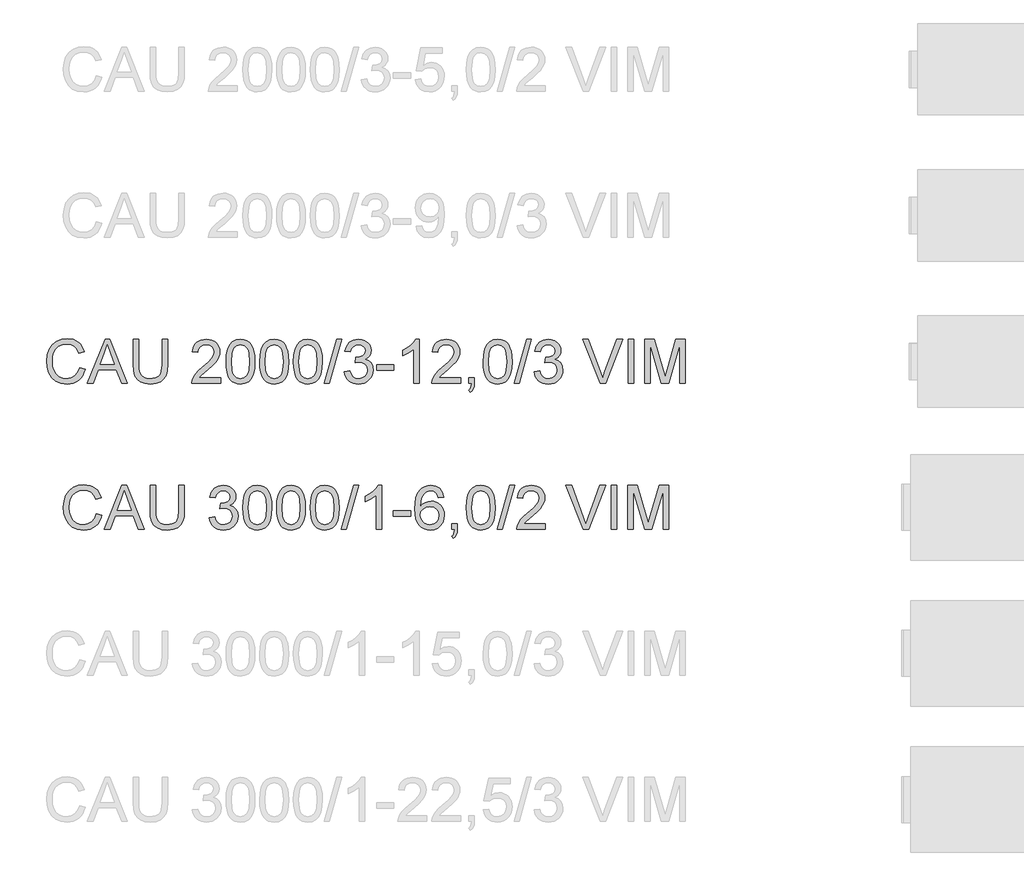
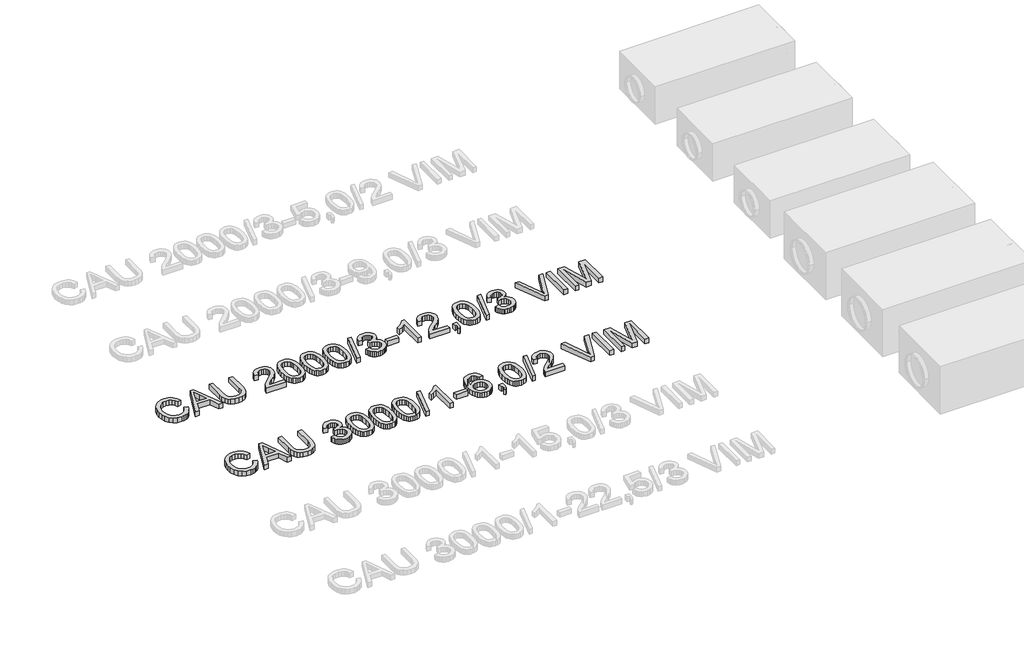
# One storey, part 57 of 74: 2 proxies.
"""IFC4 building model written with IfcOpenShell, lengths in millimetres."""

from ifc_helpers import new_model, si_unit, origin, origin_with_axes, place, context, project, spatial, polyline, outline, extrude, element, save

model = new_model("IFC4")

# Units and contexts
model_context = context("Model", 3, world=origin())
ifc_project = project(units=[si_unit("LENGTHUNIT", "METRE", prefix="MILLI")], contexts=[model_context])

# Site, building, storey
site = spatial("IfcSite", under=ifc_project)
building = spatial("IfcBuilding", under=site)
storey = spatial("IfcBuildingStorey", under=building, Elevation=0.0)

# Proxies
placement = place(None, origin())
element("IfcBuildingElementProxy", 1, Name="Generic Models", at=placement, inside=storey, context=model_context, shape_type="SweptSolid", body=[
    extrude(outline(polyline([(34539.6928381, -10799.1632103), (34577.3639544, -10808.875295), (34569.9097455, -10832.3024803), (34559.9815302, -10852.7728141), (34547.5793084, -10870.2862963), (34532.7030802, -10884.842927), (34515.688538, -10896.2863563), (34496.8713739, -10904.4602344), (34476.2515881, -10909.3645613), (34453.8291805, -10910.9993369), (34410.1339965, -10906.051324), (34375.4335273, -10891.2072855), (34348.835659, -10866.9822562), (34329.4482779, -10833.8912707), (34317.6116747, -10794.9877497), (34313.6661403, -10753.3251137), (34318.1267095, -10709.3816094), (34331.5084171, -10671.4345816), (34353.1122872, -10640.6888439), (34382.2393442, -10618.3492097), (34416.7834636, -10604.7467729), (34454.6385209, -10600.2126274), (34495.9424719, -10606.0803452), (34513.9112081, -10613.4149925), (34530.0911181, -10623.6834986), (34544.2154874, -10636.6145508), (34556.0176017, -10651.9368359), (34572.6550649, -10689.755105), (34534.9839486, -10698.7314257), (34521.9241378, -10671.2598377), (34504.081861, -10652.4150825), (34481.2363891, -10641.5165784), (34453.1669929, -10637.8837437), (34420.8117714, -10641.9120515), (34394.2322973, -10653.996975), (34374.0631669, -10672.8693214), (34360.9389767, -10697.2598977), (34353.7376866, -10724.8326532), (34351.3372566, -10753.2515373), (34354.179145, -10788.0531741), (34362.7048103, -10818.1459213), (34377.2361491, -10842.3801477), (34398.0950582, -10859.6062222), (34423.1018368, -10869.897721), (34450.0767841, -10873.3282206), (34481.5214977, -10868.6561192), (34507.7238928, -10854.6398152), (34527.5067471, -10831.4264613), (34539.6928381, -10799.1632103)])), origin_with_axes(), (0.0, 0.0, 1.0), 50.0),
    extrude(outline(polyline([(34594.065797, -10906.2904473), (34714.3632095, -10604.9215169), (34746.4425194, -10604.9215169), (34866.7399319, -10906.2904473), (34826.9351, -10906.2904473), (34792.4277688, -10812.1126566), (34668.3043837, -10812.1126566), (34633.8706289, -10906.2904473), (34594.065797, -10906.2904473)]), holes=[polyline([(34682.1367467, -10774.4415403), (34778.6689822, -10774.4415403), (34751.519291, -10700.3501064), (34730.4028644, -10642.5926332), (34711.6408827, -10693.8753833), (34682.1367467, -10774.4415403)])]), origin_with_axes(), (0.0, 0.0, 1.0), 50.0),
    extrude(outline(polyline([(35104.7595827, -10604.9215169), (35142.430699, -10604.9215169), (35142.430699, -10778.7825478), (35139.8739192, -10819.4978876), (35132.2035796, -10850.8506307), (35117.8745759, -10875.0388719), (35095.3418037, -10894.2607061), (35064.5500807, -10906.8146792), (35025.4442246, -10910.9993369), (34987.1936941, -10907.3573051), (34956.6135033, -10896.4312099), (34933.694455, -10878.5981302), (34918.4273522, -10854.235145), (34909.8465046, -10821.5580268), (34906.9862221, -10778.7825478), (34906.9862221, -10604.9215169), (34944.6573384, -10604.9215169), (34944.6573384, -10777.4581726), (34946.5151425, -10811.3125132), (34952.0885547, -10834.8845521), (34962.1869155, -10851.2093156), (34977.6195652, -10863.3218303), (34997.7427103, -10870.826623), (35021.9125574, -10873.3282206), (35060.2274672, -10868.3802077), (35074.5702665, -10862.1951917), (35085.7032954, -10853.5361692), (35094.0404211, -10841.3592752), (35099.9955109, -10824.6206444), (35104.7595827, -10777.4581726), (35104.7595827, -10604.9215169)])), origin_with_axes(), (0.0, 0.0, 1.0), 50.0),
    extrude(outline(polyline([(35505.0151935, -10868.619331), (35505.0151935, -10906.2904473), (35307.2418329, -10906.2904473), (35311.2885348, -10880.3179785), (35320.5775552, -10860.0200894), (35334.1707949, -10840.3292056), (35353.8340876, -10819.7186168), (35381.3332667, -10796.6616128), (35421.9842272, -10760.553995), (35446.3748035, -10733.9009444), (35458.5700916, -10712.2694831), (35462.6351876, -10691.226633), (35458.8000178, -10672.3634837), (35447.2945084, -10656.6825136), (35429.6085815, -10646.1151033), (35407.2321592, -10642.5926332), (35383.7336967, -10646.0323299), (35365.4775527, -10656.3514198), (35353.6961318, -10672.7405627), (35349.6218387, -10694.3904181), (35311.9507224, -10689.6815286), (35321.0833929, -10653.242817), (35329.6297515, -10638.7068796), (35340.829459, -10626.6265546), (35354.424998, -10617.1306006), (35370.1588511, -10610.3477763), (35408.0414996, -10604.9215169), (35428.2313233, -10606.4298331), (35446.2000595, -10610.9547816), (35461.9477082, -10618.4963625), (35475.4742693, -10629.0545758), (35486.3382844, -10641.8476722), (35494.0982953, -10656.0939024), (35498.7543018, -10671.7932666), (35500.3063039, -10688.9457646), (35498.6324409, -10706.9627853), (35493.6108516, -10724.6671063), (35484.6989103, -10742.67493), (35471.3539909, -10761.6024586), (35450.0812146, -10784.1996102), (35417.3857022, -10813.2163026), (35374.0492032, -10849.4526791), (35357.053055, -10868.619331), (35505.0151935, -10868.619331)])), origin_with_axes(), (0.0, 0.0, 1.0), 50.0),
    extrude(outline(polyline([(35542.6863098, -10758.0340033), (35545.4546218, -10709.7954767), (35553.7595578, -10671.324217), (35567.5183445, -10642.0316132), (35586.6482082, -10621.3290539), (35611.2871048, -10609.0234011), (35641.5729901, -10604.9215169), (35664.786344, -10607.3495381), (35685.5716767, -10614.6336016), (35702.954101, -10626.4885989), (35715.9587295, -10642.6294214), (35725.7811788, -10662.9181134), (35733.6170653, -10687.2167192), (35738.7490191, -10718.0728216), (35740.4596704, -10758.0340033), (35737.7189495, -10805.9966184), (35729.4967869, -10844.3759076), (35715.8207738, -10873.6961026), (35696.7185012, -10894.4814353), (35672.0244222, -10906.8698615), (35641.5729901, -10910.9993369), (35620.8244456, -10909.2059122), (35602.4303458, -10903.825638), (35586.3906908, -10894.8585143), (35572.7054806, -10882.3045413), (35559.5720934, -10859.6108207), (35550.1911025, -10831.3344908), (35544.562508, -10797.4755517), (35542.6863098, -10758.0340033)]), holes=[polyline([(35580.3574261, -10757.9604269), (35584.77201, -10817.2170193), (35590.29024, -10837.4850179), (35598.0157619, -10851.5128183), (35617.7342368, -10867.87437), (35641.5729901, -10873.3282206), (35665.4117434, -10867.8559759), (35685.1302183, -10851.4392419), (35692.8557402, -10837.3884489), (35698.3739702, -10817.1250488), (35702.7885541, -10757.9604269), (35698.5211229, -10700.0374067), (35693.186834, -10679.8360867), (35685.7188295, -10665.4748933), (35666.0371428, -10648.3131982), (35641.1315317, -10642.5926332), (35617.5502958, -10647.6326165), (35598.6043731, -10662.7525665), (35590.6213338, -10678.3875513), (35584.9191628, -10699.4671897), (35580.3574261, -10757.9604269)])]), origin_with_axes(), (0.0, 0.0, 1.0), 50.0),
    extrude(outline(polyline([(35773.4218972, -10758.0340033), (35776.1902092, -10709.7954767), (35784.4951452, -10671.324217), (35798.2539318, -10642.0316132), (35817.3837956, -10621.3290539), (35842.0226922, -10609.0234011), (35872.3085775, -10604.9215169), (35895.5219314, -10607.3495381), (35916.3072641, -10614.6336016), (35933.6896884, -10626.4885989), (35946.6943169, -10642.6294214), (35956.5167662, -10662.9181134), (35964.3526527, -10687.2167192), (35969.4846065, -10718.0728216), (35971.1952578, -10758.0340033), (35968.4545369, -10805.9966184), (35960.2323743, -10844.3759076), (35946.5563611, -10873.6961026), (35927.4540885, -10894.4814353), (35902.7600096, -10906.8698615), (35872.3085775, -10910.9993369), (35851.5600329, -10909.2059122), (35833.1659332, -10903.825638), (35817.1262782, -10894.8585143), (35803.441068, -10882.3045413), (35790.3076807, -10859.6108207), (35780.9266899, -10831.3344908), (35775.2980953, -10797.4755517), (35773.4218972, -10758.0340033)]), holes=[polyline([(35811.0930135, -10757.9604269), (35815.5075974, -10817.2170193), (35821.0258273, -10837.4850179), (35828.7513492, -10851.5128183), (35848.4698242, -10867.87437), (35872.3085775, -10873.3282206), (35896.1473308, -10867.8559759), (35915.8658057, -10851.4392419), (35923.5913276, -10837.3884489), (35929.1095575, -10817.1250488), (35933.5241415, -10757.9604269), (35929.2567103, -10700.0374067), (35923.9224214, -10679.8360867), (35916.4544169, -10665.4748933), (35896.7727302, -10648.3131982), (35871.8671191, -10642.5926332), (35848.2858832, -10647.6326165), (35829.3399604, -10662.7525665), (35821.3569211, -10678.3875513), (35815.6547502, -10699.4671897), (35811.0930135, -10757.9604269)])]), origin_with_axes(), (0.0, 0.0, 1.0), 50.0),
    extrude(outline(polyline([(36004.1574845, -10758.0340033), (36006.9257966, -10709.7954767), (36015.2307326, -10671.324217), (36028.9895192, -10642.0316132), (36048.119383, -10621.3290539), (36072.7582796, -10609.0234011), (36103.0441648, -10604.9215169), (36126.2575187, -10607.3495381), (36147.0428515, -10614.6336016), (36164.4252757, -10626.4885989), (36177.4299043, -10642.6294214), (36187.2523535, -10662.9181134), (36195.08824, -10687.2167192), (36200.2201939, -10718.0728216), (36201.9308451, -10758.0340033), (36199.1901243, -10805.9966184), (36190.9679617, -10844.3759076), (36177.2919485, -10873.6961026), (36158.1896759, -10894.4814353), (36133.495597, -10906.8698615), (36103.0441648, -10910.9993369), (36082.2956203, -10909.2059122), (36063.9015206, -10903.825638), (36047.8618656, -10894.8585143), (36034.1766553, -10882.3045413), (36021.0432681, -10859.6108207), (36011.6622772, -10831.3344908), (36006.0336827, -10797.4755517), (36004.1574845, -10758.0340033)]), holes=[polyline([(36041.8286008, -10757.9604269), (36046.2431848, -10817.2170193), (36051.7614147, -10837.4850179), (36059.4869366, -10851.5128183), (36079.2054116, -10867.87437), (36103.0441648, -10873.3282206), (36126.8829181, -10867.8559759), (36146.6013931, -10851.4392419), (36154.326915, -10837.3884489), (36159.8451449, -10817.1250488), (36164.2597288, -10757.9604269), (36159.9922977, -10700.0374067), (36154.6580088, -10679.8360867), (36147.1900043, -10665.4748933), (36127.5083175, -10648.3131982), (36102.6027065, -10642.5926332), (36079.0214706, -10647.6326165), (36060.0755478, -10662.7525665), (36052.0925085, -10678.3875513), (36046.3903376, -10699.4671897), (36041.8286008, -10757.9604269)])]), origin_with_axes(), (0.0, 0.0, 1.0), 50.0),
    extrude(outline(polyline([(36216.0575138, -10906.2904473), (36300.8175255, -10604.9215169), (36334.8098218, -10604.9215169), (36250.0498101, -10906.2904473), (36216.0575138, -10906.2904473)])), origin_with_axes(), (0.0, 0.0, 1.0), 50.0),
    extrude(outline(polyline([(36352.6153104, -10826.2393252), (36390.2864267, -10821.5304357), (36398.7201214, -10845.203642), (36411.0717594, -10861.1881147), (36427.9483459, -10870.2931941), (36449.9568863, -10873.3282206), (36475.7822024, -10869.1527599), (36495.7214065, -10856.626378), (36508.4685176, -10837.9379726), (36512.7175547, -10815.2764417), (36508.5053058, -10793.7645421), (36495.8685593, -10776.3177384), (36476.7386955, -10764.7570467), (36453.0470951, -10760.9034828), (36426.6331678, -10765.0237612), (36430.8270225, -10727.3526449), (36436.8602873, -10727.7941033), (36459.4298477, -10725.0901706), (36479.6081751, -10716.9783726), (36493.8452083, -10703.2563742), (36498.5908861, -10683.7218403), (36495.1511894, -10667.452259), (36484.8320994, -10654.2544924), (36469.08675, -10645.508098), (36449.3682751, -10642.5926332), (36429.613012, -10645.5356892), (36413.4629924, -10654.364857), (36401.6723744, -10669.0801369), (36394.9953162, -10689.6815286), (36357.3241999, -10684.972639), (36368.4158421, -10651.1458896), (36388.1527111, -10625.8907906), (36415.1552496, -10610.1638353), (36448.0438999, -10604.9215169), (36471.7263034, -10607.5058879), (36493.4773263, -10615.259001), (36511.8162438, -10627.4910773), (36525.2623307, -10643.5123382), (36533.5120845, -10661.9708173), (36536.2620024, -10681.5145483), (36533.6500402, -10699.724707), (36525.8141537, -10716.2426086), (36512.8647075, -10730.3140949), (36494.9120661, -10741.1850079), (36518.493302, -10750.7131516), (36535.9676968, -10766.9367476), (36546.7834274, -10788.9728791), (36550.388671, -10815.9386293), (36548.5860492, -10835.050099), (36543.1781839, -10852.6532524), (36534.165075, -10868.7480897), (36521.5467226, -10883.3346108), (36506.1738537, -10895.4379285), (36488.8971955, -10904.0831554), (36469.716748, -10909.2702915), (36448.6325111, -10910.9993369), (36429.5762238, -10909.5232104), (36412.2121936, -10905.0948309), (36396.5404206, -10897.7141983), (36382.5609048, -10887.3813128), (36370.8392647, -10874.7031795), (36361.941119, -10860.2868038), (36355.8664675, -10844.1321857), (36352.6153104, -10826.2393252)])), origin_with_axes(), (0.0, 0.0, 1.0), 50.0),
    extrude(outline(polyline([(36573.9331187, -10816.8215461), (36573.9331187, -10779.1504298), (36691.6553571, -10779.1504298), (36691.6553571, -10816.8215461), (36573.9331187, -10816.8215461)])), origin_with_axes(), (0.0, 0.0, 1.0), 50.0),
    extrude(outline(polyline([(36865.88427, -10906.2904473), (36828.2131537, -10906.2904473), (36828.2131537, -10671.4345816), (36792.5286002, -10696.8552275), (36752.8709211, -10715.8747266), (36752.8709211, -10680.2637495), (36782.4578306, -10664.1689122), (36808.0900086, -10645.0206544), (36828.2959272, -10624.6583859), (36841.6040584, -10604.9215169), (36865.88427, -10604.9215169), (36865.88427, -10906.2904473)])), origin_with_axes(), (0.0, 0.0, 1.0), 50.0),
    extrude(outline(polyline([(37148.4176423, -10868.619331), (37148.4176423, -10906.2904473), (36950.6442817, -10906.2904473), (36954.6909837, -10880.3179785), (36963.9800041, -10860.0200894), (36977.5732438, -10840.3292056), (36997.2365364, -10819.7186168), (37024.7357156, -10796.6616128), (37065.386676, -10760.553995), (37089.7772523, -10733.9009444), (37101.9725404, -10712.2694831), (37106.0376365, -10691.226633), (37102.2024667, -10672.3634837), (37090.6969573, -10656.6825136), (37073.0110304, -10646.1151033), (37050.634608, -10642.5926332), (37027.1361456, -10646.0323299), (37008.8800016, -10656.3514198), (36997.0985807, -10672.7405627), (36993.0242876, -10694.3904181), (36955.3531713, -10689.6815286), (36964.4858418, -10653.242817), (36973.0322004, -10638.7068796), (36984.2319079, -10626.6265546), (36997.8274469, -10617.1306006), (37013.5613, -10610.3477763), (37051.4439484, -10604.9215169), (37071.6337722, -10606.4298331), (37089.6025084, -10610.9547816), (37105.350157, -10618.4963625), (37118.8767181, -10629.0545758), (37129.7407333, -10641.8476722), (37137.5007441, -10656.0939024), (37142.1567506, -10671.7932666), (37143.7087528, -10688.9457646), (37142.0348897, -10706.9627853), (37137.0133005, -10724.6671063), (37128.1013592, -10742.67493), (37114.7564398, -10761.6024586), (37093.4836634, -10784.1996102), (37060.7881511, -10813.2163026), (37017.4516521, -10849.4526791), (37000.4555039, -10868.619331), (37148.4176423, -10868.619331)])), origin_with_axes(), (0.0, 0.0, 1.0), 50.0),
    extrude(outline(polyline([(37204.9243168, -10906.2904473), (37204.9243168, -10868.619331), (37242.5954331, -10868.619331), (37242.5954331, -10906.2904473), (37240.9031759, -10927.8391352), (37235.8264044, -10944.8076922), (37227.0708129, -10957.8215178), (37214.3420959, -10967.5060113), (37204.9243168, -10953.3793427), (37213.0912971, -10946.5551317), (37218.7566798, -10937.1189585), (37223.6862986, -10906.2904473), (37204.9243168, -10906.2904473)])), origin_with_axes(), (0.0, 0.0, 1.0), 50.0),
    extrude(outline(polyline([(37303.8109971, -10758.0340033), (37306.5793091, -10709.7954767), (37314.8842452, -10671.324217), (37328.6430318, -10642.0316132), (37347.7728955, -10621.3290539), (37372.4117922, -10609.0234011), (37402.6976774, -10604.9215169), (37425.9110313, -10607.3495381), (37446.696364, -10614.6336016), (37464.0787883, -10626.4885989), (37477.0834168, -10642.6294214), (37486.9058661, -10662.9181134), (37494.7417526, -10687.2167192), (37499.8737064, -10718.0728216), (37501.5843577, -10758.0340033), (37498.8436368, -10805.9966184), (37490.6214743, -10844.3759076), (37476.9454611, -10873.6961026), (37457.8431885, -10894.4814353), (37433.1491096, -10906.8698615), (37402.6976774, -10910.9993369), (37381.9491329, -10909.2059122), (37363.5550331, -10903.825638), (37347.5153781, -10894.8585143), (37333.8301679, -10882.3045413), (37320.6967807, -10859.6108207), (37311.3157898, -10831.3344908), (37305.6871953, -10797.4755517), (37303.8109971, -10758.0340033)]), holes=[polyline([(37341.4821134, -10757.9604269), (37345.8966974, -10817.2170193), (37351.4149273, -10837.4850179), (37359.1404492, -10851.5128183), (37378.8589241, -10867.87437), (37402.6976774, -10873.3282206), (37426.5364307, -10867.8559759), (37446.2549056, -10851.4392419), (37453.9804275, -10837.3884489), (37459.4986575, -10817.1250488), (37463.9132414, -10757.9604269), (37459.6458103, -10700.0374067), (37454.3115213, -10679.8360867), (37446.8435168, -10665.4748933), (37427.1618301, -10648.3131982), (37402.256219, -10642.5926332), (37378.6749831, -10647.6326165), (37359.7290604, -10662.7525665), (37351.7460211, -10678.3875513), (37346.0438501, -10699.4671897), (37341.4821134, -10757.9604269)])]), origin_with_axes(), (0.0, 0.0, 1.0), 50.0),
    extrude(outline(polyline([(37515.7110263, -10906.2904473), (37600.471038, -10604.9215169), (37634.4633344, -10604.9215169), (37549.7033227, -10906.2904473), (37515.7110263, -10906.2904473)])), origin_with_axes(), (0.0, 0.0, 1.0), 50.0),
    extrude(outline(polyline([(37652.2688229, -10826.2393252), (37689.9399392, -10821.5304357), (37698.373634, -10845.203642), (37710.725272, -10861.1881147), (37727.6018585, -10870.2931941), (37749.6103989, -10873.3282206), (37775.4357149, -10869.1527599), (37795.3749191, -10856.626378), (37808.1220302, -10837.9379726), (37812.3710672, -10815.2764417), (37808.1588184, -10793.7645421), (37795.5220719, -10776.3177384), (37776.3922081, -10764.7570467), (37752.7006076, -10760.9034828), (37726.2866804, -10765.0237612), (37730.4805351, -10727.3526449), (37736.5137998, -10727.7941033), (37759.0833602, -10725.0901706), (37779.2616877, -10716.9783726), (37793.4987209, -10703.2563742), (37798.2443986, -10683.7218403), (37794.804702, -10667.452259), (37784.485612, -10654.2544924), (37768.7402626, -10645.508098), (37749.0217877, -10642.5926332), (37729.2665245, -10645.5356892), (37713.1165049, -10654.364857), (37701.325887, -10669.0801369), (37694.6488288, -10689.6815286), (37656.9777125, -10684.972639), (37668.0693546, -10651.1458896), (37687.8062237, -10625.8907906), (37714.8087621, -10610.1638353), (37747.6974125, -10604.9215169), (37771.3798159, -10607.5058879), (37793.1308389, -10615.259001), (37811.4697563, -10627.4910773), (37824.9158433, -10643.5123382), (37833.165597, -10661.9708173), (37835.9155149, -10681.5145483), (37833.3035528, -10699.724707), (37825.4676663, -10716.2426086), (37812.51822, -10730.3140949), (37794.5655787, -10741.1850079), (37818.1468146, -10750.7131516), (37835.6212093, -10766.9367476), (37846.43694, -10788.9728791), (37850.0421835, -10815.9386293), (37848.2395618, -10835.050099), (37842.8316964, -10852.6532524), (37833.8185876, -10868.7480897), (37821.2002351, -10883.3346108), (37805.8273662, -10895.4379285), (37788.550708, -10904.0831554), (37769.3702605, -10909.2702915), (37748.2860237, -10910.9993369), (37729.2297363, -10909.5232104), (37711.8657062, -10905.0948309), (37696.1939332, -10897.7141983), (37682.2144173, -10887.3813128), (37670.4927773, -10874.7031795), (37661.5946315, -10860.2868038), (37655.5199801, -10844.1321857), (37652.2688229, -10826.2393252)])), origin_with_axes(), (0.0, 0.0, 1.0), 50.0),
    extrude(outline(polyline([(38103.8807602, -10906.2904473), (37983.9512298, -10604.9215169), (38024.2710965, -10604.9215169), (38104.5429478, -10822.0454704), (38120.803332, -10870.9737758), (38136.842987, -10822.0454704), (38217.3355675, -10604.9215169), (38257.6554342, -10604.9215169), (38142.8026753, -10906.2904473), (38103.8807602, -10906.2904473)])), origin_with_axes(), (0.0, 0.0, 1.0), 50.0),
    extrude(outline(polyline([(38297.3866897, -10906.2904473), (38297.3866897, -10604.9215169), (38335.057806, -10604.9215169), (38335.057806, -10906.2904473), (38297.3866897, -10906.2904473)])), origin_with_axes(), (0.0, 0.0, 1.0), 50.0),
    extrude(outline(polyline([(38410.4000386, -10906.2904473), (38410.4000386, -10604.9215169), (38475.2208461, -10604.9215169), (38536.8778685, -10817.3365809), (38549.31228, -10861.7031495), (38562.776761, -10813.657761), (38623.4037138, -10604.9215169), (38688.2245214, -10604.9215169), (38688.2245214, -10906.2904473), (38650.553405, -10906.2904473), (38650.553405, -10642.5926332), (38574.8432904, -10906.2904473), (38523.7812695, -10906.2904473), (38448.0711549, -10642.5926332), (38448.0711549, -10906.2904473), (38410.4000386, -10906.2904473)])), origin_with_axes(), (0.0, 0.0, 1.0), 50.0),
])
element("IfcBuildingElementProxy", 2, Name="Generic Models", at=placement, inside=storey, context=model_context, shape_type="SweptSolid", body=[
    extrude(outline(polyline([(34655.0606318, -11799.1632103), (34692.7317481, -11808.875295), (34685.2775392, -11832.3024803), (34675.3493239, -11852.7728141), (34662.9471021, -11870.2862963), (34648.0708739, -11884.842927), (34631.0563316, -11896.2863563), (34612.2391676, -11904.4602344), (34591.6193818, -11909.3645613), (34569.1969742, -11910.9993369), (34525.5017902, -11906.051324), (34490.801321, -11891.2072855), (34464.2034527, -11866.9822562), (34444.8160716, -11833.8912707), (34432.9794684, -11794.9877497), (34429.033934, -11753.3251137), (34433.4945032, -11709.3816094), (34446.8762108, -11671.4345816), (34468.4800809, -11640.6888439), (34497.6071379, -11618.3492097), (34532.1512572, -11604.7467729), (34570.0063145, -11600.2126274), (34611.3102656, -11606.0803452), (34629.2790018, -11613.4149925), (34645.4589118, -11623.6834986), (34659.5832811, -11636.6145508), (34671.3853954, -11651.9368359), (34688.0228586, -11689.755105), (34650.3517423, -11698.7314257), (34637.2919315, -11671.2598377), (34619.4496547, -11652.4150825), (34596.6041828, -11641.5165784), (34568.5347866, -11637.8837437), (34536.1795651, -11641.9120515), (34509.6000909, -11653.996975), (34489.4309606, -11672.8693214), (34476.3067704, -11697.2598977), (34469.1054803, -11724.8326532), (34466.7050503, -11753.2515373), (34469.5469387, -11788.0531741), (34478.072604, -11818.1459213), (34492.6039428, -11842.3801477), (34513.4628519, -11859.6062222), (34538.4696305, -11869.897721), (34565.4445778, -11873.3282206), (34596.8892913, -11868.6561192), (34623.0916864, -11854.6398152), (34642.8745407, -11831.4264613), (34655.0606318, -11799.1632103)])), origin_with_axes(), (0.0, 0.0, 1.0), 50.0),
    extrude(outline(polyline([(34709.4335907, -11906.2904473), (34829.7310031, -11604.9215169), (34861.8103131, -11604.9215169), (34982.1077255, -11906.2904473), (34942.3028937, -11906.2904473), (34907.7955625, -11812.1126566), (34783.6721773, -11812.1126566), (34749.2384226, -11906.2904473), (34709.4335907, -11906.2904473)]), holes=[polyline([(34797.5045404, -11774.4415403), (34894.0367759, -11774.4415403), (34866.8870847, -11700.3501064), (34845.7706581, -11642.5926332), (34827.0086764, -11693.8753833), (34797.5045404, -11774.4415403)])]), origin_with_axes(), (0.0, 0.0, 1.0), 50.0),
    extrude(outline(polyline([(35220.1273764, -11604.9215169), (35257.7984927, -11604.9215169), (35257.7984927, -11778.7825478), (35255.2417129, -11819.4978876), (35247.5713733, -11850.8506307), (35233.2423696, -11875.0388719), (35210.7095973, -11894.2607061), (35179.9178743, -11906.8146792), (35140.8120183, -11910.9993369), (35102.5614878, -11907.3573051), (35071.981297, -11896.4312099), (35049.0622487, -11878.5981302), (35033.7951459, -11854.235145), (35025.2142983, -11821.5580268), (35022.3540158, -11778.7825478), (35022.3540158, -11604.9215169), (35060.0251321, -11604.9215169), (35060.0251321, -11777.4581726), (35061.8829362, -11811.3125132), (35067.4563484, -11834.8845521), (35077.5547092, -11851.2093156), (35092.9873589, -11863.3218303), (35113.110504, -11870.826623), (35137.2803511, -11873.3282206), (35175.5952609, -11868.3802077), (35189.9380602, -11862.1951917), (35201.0710891, -11853.5361692), (35209.4082148, -11841.3592752), (35215.3633046, -11824.6206444), (35220.1273764, -11777.4581726), (35220.1273764, -11604.9215169)])), origin_with_axes(), (0.0, 0.0, 1.0), 50.0),
    extrude(outline(polyline([(35427.3185161, -11826.2393252), (35464.9896324, -11821.5304357), (35473.4233272, -11845.203642), (35485.7749651, -11861.1881147), (35502.6515517, -11870.2931941), (35524.660092, -11873.3282206), (35550.4854081, -11869.1527599), (35570.4246122, -11856.626378), (35583.1717234, -11837.9379726), (35587.4207604, -11815.2764417), (35583.2085116, -11793.7645421), (35570.571765, -11776.3177384), (35551.4419013, -11764.7570467), (35527.7503008, -11760.9034828), (35501.3363735, -11765.0237612), (35505.5302283, -11727.3526449), (35511.563493, -11727.7941033), (35534.1330534, -11725.0901706), (35554.3113808, -11716.9783726), (35568.5484141, -11703.2563742), (35573.2940918, -11683.7218403), (35569.8543951, -11667.452259), (35559.5353052, -11654.2544924), (35543.7899558, -11645.508098), (35524.0714808, -11642.5926332), (35504.3162177, -11645.5356892), (35488.1661981, -11654.364857), (35476.3755802, -11669.0801369), (35469.6985219, -11689.6815286), (35432.0274056, -11684.972639), (35443.1190478, -11651.1458896), (35462.8559168, -11625.8907906), (35489.8584553, -11610.1638353), (35522.7471057, -11604.9215169), (35546.4295091, -11607.5058879), (35568.1805321, -11615.259001), (35586.5194495, -11627.4910773), (35599.9655364, -11643.5123382), (35608.2152902, -11661.9708173), (35610.9652081, -11681.5145483), (35608.3532459, -11699.724707), (35600.5173594, -11716.2426086), (35587.5679132, -11730.3140949), (35569.6152718, -11741.1850079), (35593.1965077, -11750.7131516), (35610.6709025, -11766.9367476), (35621.4866332, -11788.9728791), (35625.0918767, -11815.9386293), (35623.2892549, -11835.050099), (35617.8813896, -11852.6532524), (35608.8682807, -11868.7480897), (35596.2499283, -11883.3346108), (35580.8770594, -11895.4379285), (35563.6004012, -11904.0831554), (35544.4199537, -11909.2702915), (35523.3357168, -11910.9993369), (35504.2794295, -11909.5232104), (35486.9153993, -11905.0948309), (35471.2436263, -11897.7141983), (35457.2641105, -11887.3813128), (35445.5424704, -11874.7031795), (35436.6443247, -11860.2868038), (35430.5696732, -11844.1321857), (35427.3185161, -11826.2393252)])), origin_with_axes(), (0.0, 0.0, 1.0), 50.0),
    extrude(outline(polyline([(35658.0541035, -11758.0340033), (35660.8224155, -11709.7954767), (35669.1273515, -11671.324217), (35682.8861382, -11642.0316132), (35702.0160019, -11621.3290539), (35726.6548985, -11609.0234011), (35756.9407838, -11604.9215169), (35780.1541377, -11607.3495381), (35800.9394704, -11614.6336016), (35818.3218947, -11626.4885989), (35831.3265232, -11642.6294214), (35841.1489725, -11662.9181134), (35848.984859, -11687.2167192), (35854.1168128, -11718.0728216), (35855.8274641, -11758.0340033), (35853.0867432, -11805.9966184), (35844.8645806, -11844.3759076), (35831.1885675, -11873.6961026), (35812.0862949, -11894.4814353), (35787.3922159, -11906.8698615), (35756.9407838, -11910.9993369), (35736.1922393, -11909.2059122), (35717.7981395, -11903.825638), (35701.7584845, -11894.8585143), (35688.0732743, -11882.3045413), (35674.9398871, -11859.6108207), (35665.5588962, -11831.3344908), (35659.9303017, -11797.4755517), (35658.0541035, -11758.0340033)]), holes=[polyline([(35695.7252198, -11757.9604269), (35700.1398037, -11817.2170193), (35705.6580337, -11837.4850179), (35713.3835556, -11851.5128183), (35733.1020305, -11867.87437), (35756.9407838, -11873.3282206), (35780.7795371, -11867.8559759), (35800.498012, -11851.4392419), (35808.2235339, -11837.3884489), (35813.7417638, -11817.1250488), (35818.1563478, -11757.9604269), (35813.8889166, -11700.0374067), (35808.5546277, -11679.8360867), (35801.0866232, -11665.4748933), (35781.4049365, -11648.3131982), (35756.4993254, -11642.5926332), (35732.9180895, -11647.6326165), (35713.9721667, -11662.7525665), (35705.9891275, -11678.3875513), (35700.2869565, -11699.4671897), (35695.7252198, -11757.9604269)])]), origin_with_axes(), (0.0, 0.0, 1.0), 50.0),
    extrude(outline(polyline([(35888.7896909, -11758.0340033), (35891.5580029, -11709.7954767), (35899.8629389, -11671.324217), (35913.6217255, -11642.0316132), (35932.7515893, -11621.3290539), (35957.3904859, -11609.0234011), (35987.6763712, -11604.9215169), (36010.8897251, -11607.3495381), (36031.6750578, -11614.6336016), (36049.0574821, -11626.4885989), (36062.0621106, -11642.6294214), (36071.8845599, -11662.9181134), (36079.7204464, -11687.2167192), (36084.8524002, -11718.0728216), (36086.5630515, -11758.0340033), (36083.8223306, -11805.9966184), (36075.600168, -11844.3759076), (36061.9241548, -11873.6961026), (36042.8218822, -11894.4814353), (36018.1278033, -11906.8698615), (35987.6763712, -11910.9993369), (35966.9278266, -11909.2059122), (35948.5337269, -11903.825638), (35932.4940719, -11894.8585143), (35918.8088617, -11882.3045413), (35905.6754744, -11859.6108207), (35896.2944836, -11831.3344908), (35890.665889, -11797.4755517), (35888.7896909, -11758.0340033)]), holes=[polyline([(35926.4608072, -11757.9604269), (35930.8753911, -11817.2170193), (35936.393621, -11837.4850179), (35944.1191429, -11851.5128183), (35963.8376179, -11867.87437), (35987.6763712, -11873.3282206), (36011.5151244, -11867.8559759), (36031.2335994, -11851.4392419), (36038.9591213, -11837.3884489), (36044.4773512, -11817.1250488), (36048.8919352, -11757.9604269), (36044.624504, -11700.0374067), (36039.2902151, -11679.8360867), (36031.8222106, -11665.4748933), (36012.1405238, -11648.3131982), (35987.2349128, -11642.5926332), (35963.6536769, -11647.6326165), (35944.7077541, -11662.7525665), (35936.7247148, -11678.3875513), (35931.0225439, -11699.4671897), (35926.4608072, -11757.9604269)])]), origin_with_axes(), (0.0, 0.0, 1.0), 50.0),
    extrude(outline(polyline([(36119.5252782, -11758.0340033), (36122.2935902, -11709.7954767), (36130.5985263, -11671.324217), (36144.3573129, -11642.0316132), (36163.4871767, -11621.3290539), (36188.1260733, -11609.0234011), (36218.4119585, -11604.9215169), (36241.6253124, -11607.3495381), (36262.4106452, -11614.6336016), (36279.7930694, -11626.4885989), (36292.797698, -11642.6294214), (36302.6201472, -11662.9181134), (36310.4560337, -11687.2167192), (36315.5879876, -11718.0728216), (36317.2986388, -11758.0340033), (36314.557918, -11805.9966184), (36306.3357554, -11844.3759076), (36292.6597422, -11873.6961026), (36273.5574696, -11894.4814353), (36248.8633907, -11906.8698615), (36218.4119585, -11910.9993369), (36197.663414, -11909.2059122), (36179.2693142, -11903.825638), (36163.2296593, -11894.8585143), (36149.544449, -11882.3045413), (36136.4110618, -11859.6108207), (36127.0300709, -11831.3344908), (36121.4014764, -11797.4755517), (36119.5252782, -11758.0340033)]), holes=[polyline([(36157.1963945, -11757.9604269), (36161.6109785, -11817.2170193), (36167.1292084, -11837.4850179), (36174.8547303, -11851.5128183), (36194.5732052, -11867.87437), (36218.4119585, -11873.3282206), (36242.2507118, -11867.8559759), (36261.9691868, -11851.4392419), (36269.6947087, -11837.3884489), (36275.2129386, -11817.1250488), (36279.6275225, -11757.9604269), (36275.3600914, -11700.0374067), (36270.0258025, -11679.8360867), (36262.557798, -11665.4748933), (36242.8761112, -11648.3131982), (36217.9705001, -11642.5926332), (36194.3892642, -11647.6326165), (36175.4433415, -11662.7525665), (36167.4603022, -11678.3875513), (36161.7581313, -11699.4671897), (36157.1963945, -11757.9604269)])]), origin_with_axes(), (0.0, 0.0, 1.0), 50.0),
    extrude(outline(polyline([(36331.4253075, -11906.2904473), (36416.1853191, -11604.9215169), (36450.1776155, -11604.9215169), (36365.4176038, -11906.2904473), (36331.4253075, -11906.2904473)])), origin_with_axes(), (0.0, 0.0, 1.0), 50.0),
    extrude(outline(polyline([(36609.2497902, -11906.2904473), (36571.5786739, -11906.2904473), (36571.5786739, -11671.4345816), (36535.8941204, -11696.8552275), (36496.2364413, -11715.8747266), (36496.2364413, -11680.2637495), (36525.8233508, -11664.1689122), (36551.4555288, -11645.0206544), (36571.6614474, -11624.6583859), (36584.9695785, -11604.9215169), (36609.2497902, -11604.9215169), (36609.2497902, -11906.2904473)])), origin_with_axes(), (0.0, 0.0, 1.0), 50.0),
    extrude(outline(polyline([(36689.3009124, -11816.8215461), (36689.3009124, -11779.1504298), (36807.0231508, -11779.1504298), (36807.0231508, -11816.8215461), (36689.3009124, -11816.8215461)])), origin_with_axes(), (0.0, 0.0, 1.0), 50.0),
    extrude(outline(polyline([(37033.0498487, -11684.972639), (36995.3787323, -11689.6815286), (36989.3086794, -11671.0115173), (36981.1049109, -11658.2644062), (36964.0167923, -11646.5105764), (36943.3602182, -11642.5926332), (36925.8490353, -11644.8735016), (36909.3679219, -11651.7161067), (36895.2136621, -11666.1278838), (36883.6529704, -11685.9659204), (36875.8446751, -11714.0261196), (36872.9476044, -11753.1043845), (36888.0583573, -11735.4736399), (36906.1673485, -11723.0484255), (36926.2629025, -11715.6815886), (36947.3333438, -11713.2259763), (36965.4331379, -11714.9044379), (36982.1349805, -11719.9398227), (36997.4388715, -11728.3321307), (37011.3448109, -11740.0813619), (37022.9009041, -11754.4885406), (37031.1552564, -11770.8546908), (37036.1078677, -11789.1798127), (37037.7587382, -11809.4639062), (37034.6501353, -11836.4388535), (37025.3243268, -11861.4456321), (37010.5538646, -11882.6540292), (36991.1113012, -11898.2338316), (36967.8795532, -11907.8079606), (36941.7415375, -11910.9993369), (36919.2846409, -11908.8840154), (36899.0028467, -11902.538051), (36880.8961547, -11891.9614436), (36864.9645651, -11877.1541933), (36851.9760314, -11857.4909007), (36842.6985073, -11832.3461663), (36837.1319929, -11801.7199902), (36835.276488, -11765.6123724), (36837.3366272, -11725.1315573), (36843.5170447, -11690.5828395), (36853.8177406, -11661.9662188), (36868.2387148, -11639.2816952), (36883.8691011, -11624.2491172), (36901.9918879, -11613.5115615), (36922.6070752, -11607.069028), (36945.714663, -11604.9215169), (36978.7688603, -11610.2374117), (37005.2379698, -11626.1850962), (37023.7792224, -11651.5137716), (37033.0498487, -11684.972639)]), holes=[polyline([(36872.9476044, -11808.875295), (36875.1273052, -11825.5679405), (36881.6664076, -11841.506428), (36891.8199507, -11855.2100323), (36904.8429733, -11865.1980285), (36920.5607316, -11871.2956725), (36938.7984815, -11873.3282206), (36963.6581073, -11869.1159717), (36983.2018383, -11856.4792252), (36995.866176, -11836.6135975), (37000.0876219, -11810.714705), (36995.9213583, -11785.8550792), (36983.4225675, -11766.8999594), (36963.5477427, -11754.8978093), (36937.2533771, -11750.8970926), (36912.4305395, -11754.8978093), (36891.6727979, -11766.8999594), (36877.6289027, -11785.3952267), (36872.9476044, -11808.875295)])]), origin_with_axes(), (0.0, 0.0, 1.0), 50.0),
    extrude(outline(polyline([(37089.5565231, -11906.2904473), (37089.5565231, -11868.619331), (37127.2276394, -11868.619331), (37127.2276394, -11906.2904473), (37125.5353822, -11927.8391352), (37120.4586107, -11944.8076922), (37111.7030192, -11957.8215178), (37098.9743022, -11967.5060113), (37089.5565231, -11953.3793427), (37097.7235034, -11946.5551317), (37103.3888861, -11937.1189585), (37108.3185049, -11906.2904473), (37089.5565231, -11906.2904473)])), origin_with_axes(), (0.0, 0.0, 1.0), 50.0),
    extrude(outline(polyline([(37188.4432034, -11758.0340033), (37191.2115154, -11709.7954767), (37199.5164515, -11671.324217), (37213.2752381, -11642.0316132), (37232.4051018, -11621.3290539), (37257.0439985, -11609.0234011), (37287.3298837, -11604.9215169), (37310.5432376, -11607.3495381), (37331.3285703, -11614.6336016), (37348.7109946, -11626.4885989), (37361.7156231, -11642.6294214), (37371.5380724, -11662.9181134), (37379.3739589, -11687.2167192), (37384.5059127, -11718.0728216), (37386.216564, -11758.0340033), (37383.4758432, -11805.9966184), (37375.2536806, -11844.3759076), (37361.5776674, -11873.6961026), (37342.4753948, -11894.4814353), (37317.7813159, -11906.8698615), (37287.3298837, -11910.9993369), (37266.5813392, -11909.2059122), (37248.1872394, -11903.825638), (37232.1475844, -11894.8585143), (37218.4623742, -11882.3045413), (37205.328987, -11859.6108207), (37195.9479961, -11831.3344908), (37190.3194016, -11797.4755517), (37188.4432034, -11758.0340033)]), holes=[polyline([(37226.1143197, -11757.9604269), (37230.5289037, -11817.2170193), (37236.0471336, -11837.4850179), (37243.7726555, -11851.5128183), (37263.4911304, -11867.87437), (37287.3298837, -11873.3282206), (37311.168637, -11867.8559759), (37330.8871119, -11851.4392419), (37338.6126338, -11837.3884489), (37344.1308638, -11817.1250488), (37348.5454477, -11757.9604269), (37344.2780166, -11700.0374067), (37338.9437276, -11679.8360867), (37331.4757231, -11665.4748933), (37311.7940364, -11648.3131982), (37286.8884253, -11642.5926332), (37263.3071894, -11647.6326165), (37244.3612667, -11662.7525665), (37236.3782274, -11678.3875513), (37230.6760565, -11699.4671897), (37226.1143197, -11757.9604269)])]), origin_with_axes(), (0.0, 0.0, 1.0), 50.0),
    extrude(outline(polyline([(37400.3432326, -11906.2904473), (37485.1032443, -11604.9215169), (37519.0955407, -11604.9215169), (37434.335529, -11906.2904473), (37400.3432326, -11906.2904473)])), origin_with_axes(), (0.0, 0.0, 1.0), 50.0),
    extrude(outline(polyline([(37729.9655003, -11868.619331), (37729.9655003, -11906.2904473), (37532.1921397, -11906.2904473), (37536.2388417, -11880.3179785), (37545.527862, -11860.0200894), (37559.1211018, -11840.3292056), (37578.7843944, -11819.7186168), (37606.2835735, -11796.6616128), (37646.934534, -11760.553995), (37671.3251103, -11733.9009444), (37683.5203984, -11712.2694831), (37687.5854945, -11691.226633), (37683.7503247, -11672.3634837), (37672.2448153, -11656.6825136), (37654.5588884, -11646.1151033), (37632.182466, -11642.5926332), (37608.6840036, -11646.0323299), (37590.4278595, -11656.3514198), (37578.6464387, -11672.7405627), (37574.5721456, -11694.3904181), (37536.9010292, -11689.6815286), (37546.0336998, -11653.242817), (37554.5800584, -11638.7068796), (37565.7797659, -11626.6265546), (37579.3753049, -11617.1306006), (37595.1091579, -11610.3477763), (37632.9918064, -11604.9215169), (37653.1816301, -11606.4298331), (37671.1503663, -11610.9547816), (37686.898015, -11618.4963625), (37700.4245761, -11629.0545758), (37711.2885913, -11641.8476722), (37719.0486021, -11656.0939024), (37723.7046086, -11671.7932666), (37725.2566108, -11688.9457646), (37723.5827477, -11706.9627853), (37718.5611585, -11724.6671063), (37709.6492171, -11742.67493), (37696.3042978, -11761.6024586), (37675.0315214, -11784.1996102), (37642.3360091, -11813.2163026), (37598.99951, -11849.4526791), (37582.0033619, -11868.619331), (37729.9655003, -11868.619331)])), origin_with_axes(), (0.0, 0.0, 1.0), 50.0),
    extrude(outline(polyline([(37988.5129665, -11906.2904473), (37868.5834361, -11604.9215169), (37908.9033028, -11604.9215169), (37989.1751541, -11822.0454704), (38005.4355383, -11870.9737758), (38021.4751933, -11822.0454704), (38101.9677738, -11604.9215169), (38142.2876405, -11604.9215169), (38027.4348816, -11906.2904473), (37988.5129665, -11906.2904473)])), origin_with_axes(), (0.0, 0.0, 1.0), 50.0),
    extrude(outline(polyline([(38182.018896, -11906.2904473), (38182.018896, -11604.9215169), (38219.6900123, -11604.9215169), (38219.6900123, -11906.2904473), (38182.018896, -11906.2904473)])), origin_with_axes(), (0.0, 0.0, 1.0), 50.0),
    extrude(outline(polyline([(38295.0322449, -11906.2904473), (38295.0322449, -11604.9215169), (38359.8530525, -11604.9215169), (38421.5100748, -11817.3365809), (38433.9444863, -11861.7031495), (38447.4089673, -11813.657761), (38508.0359201, -11604.9215169), (38572.8567277, -11604.9215169), (38572.8567277, -11906.2904473), (38535.1856114, -11906.2904473), (38535.1856114, -11642.5926332), (38459.4754968, -11906.2904473), (38408.4134758, -11906.2904473), (38332.7033612, -11642.5926332), (38332.7033612, -11906.2904473), (38295.0322449, -11906.2904473)])), origin_with_axes(), (0.0, 0.0, 1.0), 50.0),
])

save(model, "model.ifc")
